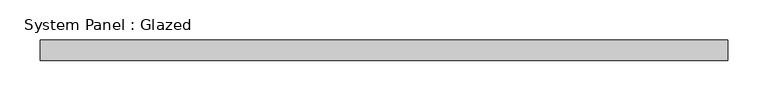
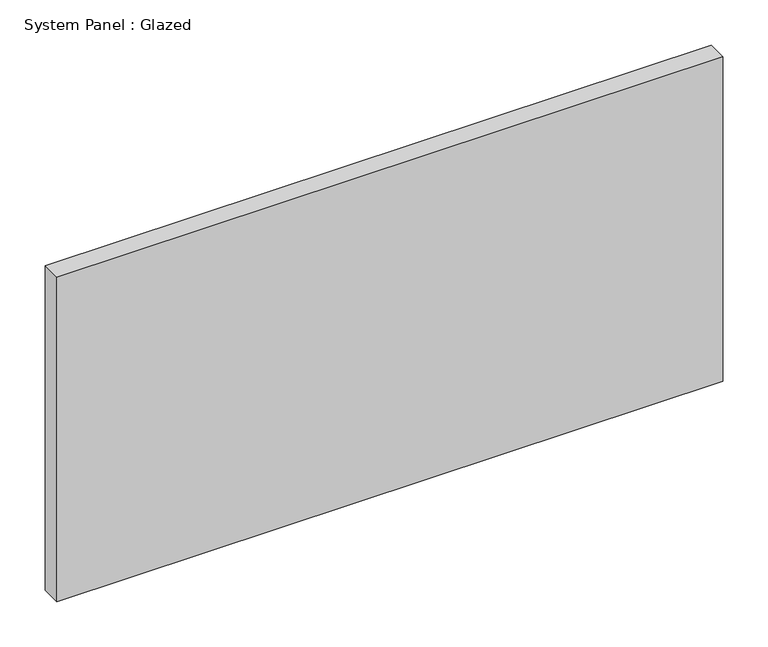
"""IFC4 building model written with IfcOpenShell, lengths in millimetres: plate geometry, System Panel : Glazed."""

import ifcopenshell
import ifcopenshell.guid

model = None  # the IFC model being written
_history = None  # IfcOwnerHistory: only IFC2X3 demands one
_inside = {}  # id of a spatial element -> (the spatial element, [elements in it])
_under = {}  # id of a project, library or spatial element -> (it, [spatial elements below it])
_declared = {}  # id of a project -> (the project, [libraries it declares])
_typed = {}  # id of a type object -> (the type object, [elements of that type])
_made_of = {}  # id of a material, layer set ... -> (it, [elements and type objects made of it])


def new_model(schema):
    """Start an empty IFC model of exactly this schema.

    Asked for "IFC4X3", IfcOpenShell would pick the latest addendum, in which some entities
    have other attributes; the version numbers below select the first issue.
    IFC2X3 requires an IfcOwnerHistory on every rooted entity: one is made here for all.
    """
    global model, _history
    if schema == "IFC4X3":
        model = ifcopenshell.file(schema_version=(4, 3, 0, 0))
    else:
        model = ifcopenshell.file(schema=schema)
    _inside.clear()
    _under.clear()
    _declared.clear()
    _typed.clear()
    _made_of.clear()
    _history = None
    if model.schema == "IFC2X3":
        org = make("IfcOrganization", Name="unknown")
        user = make(
            "IfcPersonAndOrganization",
            ThePerson=make("IfcPerson", FamilyName="unknown"),
            TheOrganization=org,
        )
        app = make(
            "IfcApplication",
            ApplicationDeveloper=org,
            Version="unknown",
            ApplicationFullName="unknown",
            ApplicationIdentifier="unknown",
        )
        _history = make(
            "IfcOwnerHistory",
            OwningUser=user,
            OwningApplication=app,
            ChangeAction="ADDED",
            CreationDate=0,
        )
    return model


def make(cls, **values):
    """One entity of the class cls with the attributes given. An attribute that is None is left unset."""
    return model.create_entity(
        cls, **{name: value for name, value in values.items() if value is not None}
    )


def rooted(cls, **values):
    """An entity with a GlobalId (a new one), such as an element, a storey or a relation."""
    return make(cls, GlobalId=ifcopenshell.guid.new(), OwnerHistory=_history, **values)


def si_unit(unit_type, name, prefix=None):
    """IfcSIUnit, for example si_unit("LENGTHUNIT", "METRE", prefix="MILLI")."""
    return make("IfcSIUnit", UnitType=unit_type, Prefix=prefix, Name=name)


def assignment(units):
    """IfcUnitAssignment: the units of a project."""
    return None if units is None else make("IfcUnitAssignment", Units=units)


def point(xyz):
    """IfcCartesianPoint."""
    return None if xyz is None else make("IfcCartesianPoint", Coordinates=xyz)


def direction(xyz):
    """IfcDirection."""
    return None if xyz is None else make("IfcDirection", DirectionRatios=xyz)


def frame(location, z_axis=None, x_axis=None):
    """IfcAxis2Placement3D, a coordinate frame: its origin and axes. An axis left out is left unset."""
    return make(
        "IfcAxis2Placement3D",
        Location=point(location),
        Axis=direction(z_axis),
        RefDirection=direction(x_axis),
    )


def origin():
    """The frame at (0, 0, 0) with its axes left unset."""
    return frame((0.0, 0.0, 0.0))


def origin_with_axes():
    """The frame at (0, 0, 0) with the z axis (0, 0, 1) and the x axis (1, 0, 0) written out."""
    return frame((0.0, 0.0, 0.0), z_axis=(0.0, 0.0, 1.0), x_axis=(1.0, 0.0, 0.0))


def place(relative_to, where):
    """IfcLocalPlacement: puts the frame where relative to a parent placement (None: the world)."""
    return make(
        "IfcLocalPlacement", PlacementRelTo=relative_to, RelativePlacement=where
    )


def context(
    kind, dimensions, precision=None, world=None, true_north=None, identifier=None
):
    """IfcGeometricRepresentationContext, for example the 3D "Model" context."""
    return make(
        "IfcGeometricRepresentationContext",
        ContextIdentifier=identifier,
        ContextType=kind,
        CoordinateSpaceDimension=dimensions,
        Precision=precision,
        WorldCoordinateSystem=world,
        TrueNorth=true_north,
    )


def project(units=None, contexts=None):
    """IfcProject with its units and contexts."""
    return rooted(
        "IfcProject",
        Name="project",
        RepresentationContexts=contexts,
        UnitsInContext=assignment(units),
    )


def spatial(cls, under=None, at=None, **own):
    """A site, building, storey or space (cls), placed at a placement, below another one or the project."""
    s = rooted(cls, ObjectPlacement=at, **own)
    if under is not None:
        _under.setdefault(under.id(), (under, []))[1].append(s)
    return s


def polyline(points):
    """IfcPolyline through the points."""
    return make("IfcPolyline", Points=[point(p) for p in points])


def outline(outer, holes=None, kind="AREA"):
    """IfcArbitraryClosedProfileDef: a profile drawn as a closed curve; with holes, ...WithVoids."""
    if holes is None:
        return make("IfcArbitraryClosedProfileDef", ProfileType=kind, OuterCurve=outer)
    return make(
        "IfcArbitraryProfileDefWithVoids",
        ProfileType=kind,
        OuterCurve=outer,
        InnerCurves=holes,
    )


def extrude(swept, where, along, depth):
    """IfcExtrudedAreaSolid: the profile swept, set in the frame where, extruded along a direction by depth."""
    return make(
        "IfcExtrudedAreaSolid",
        SweptArea=swept,
        Position=where,
        ExtrudedDirection=direction(along),
        Depth=depth,
    )


def shape(context_of_items, identifier, shape_type, items):
    """IfcShapeRepresentation: the items that make up one representation, for example the "Body"."""
    return make(
        "IfcShapeRepresentation",
        ContextOfItems=context_of_items,
        RepresentationIdentifier=identifier,
        RepresentationType=shape_type,
        Items=items,
    )


def source(mapping_origin, context_of_items, identifier, shape_type, items):
    """IfcRepresentationMap: a shape defined once, which mapped items show again and again."""
    return make(
        "IfcRepresentationMap",
        MappingOrigin=mapping_origin,
        MappedRepresentation=shape(context_of_items, identifier, shape_type, items),
    )


def transform(
    local_origin,
    x_axis=None,
    y_axis=None,
    z_axis=None,
    scale=None,
    scale2=None,
    scale3=None,
    uniform=True,
):
    """IfcCartesianTransformationOperator3D, or its non-uniform kind. x_axis, y_axis, z_axis: its Axis1, 2, 3."""
    if uniform:
        return make(
            "IfcCartesianTransformationOperator3D",
            Axis1=direction(x_axis),
            Axis2=direction(y_axis),
            LocalOrigin=point(local_origin),
            Scale=scale,
            Axis3=direction(z_axis),
        )
    return make(
        "IfcCartesianTransformationOperator3DnonUniform",
        Axis1=direction(x_axis),
        Axis2=direction(y_axis),
        LocalOrigin=point(local_origin),
        Scale=scale,
        Axis3=direction(z_axis),
        Scale2=scale2,
        Scale3=scale3,
    )


def mapped(mapping_source, mapping_target):
    """IfcMappedItem: shows the shape of a source again, moved by a transform."""
    return make(
        "IfcMappedItem", MappingSource=mapping_source, MappingTarget=mapping_target
    )


def made_of(thing, what):
    """Note that an element or type object is made of a material, layer set ...; save() writes the relation."""
    if what is not None:
        _made_of.setdefault(what.id(), (what, []))[1].append(thing)
    return thing


def element(
    cls,
    number,
    at=None,
    inside=None,
    cuts=None,
    type_object=None,
    material=None,
    context=None,
    identifier="Body",
    shape_type=None,
    held_by="IfcProductDefinitionShape",
    body=None,
    shapes=None,
    **own,
):
    """One element of the class cls, such as IfcWall. Its Tag is "e" and its number.

    at: its placement. inside: the storey or other place that contains it. cuts: it is an
    opening in that element (IfcRelVoidsElement). A single representation is given by context,
    identifier, shape_type and body (its items); several are given by shapes. held_by: the class
    of the entity that holds the representations. save() writes the other relations.
    """
    e = rooted(cls, Tag="e%d" % number, ObjectPlacement=at, **own)
    if body is not None:
        shapes = [shape(context, identifier, shape_type, body)]
    if shapes is not None:
        e.Representation = make(held_by, Representations=shapes)
    if inside is not None:
        _inside.setdefault(inside.id(), (inside, []))[1].append(e)
    if cuts is not None:
        rooted(
            "IfcRelVoidsElement", RelatingBuildingElement=cuts, RelatedOpeningElement=e
        )
    if type_object is not None:
        _typed.setdefault(type_object.id(), (type_object, []))[1].append(e)
    return made_of(e, material)


def aggregate(whole, parts):
    """IfcRelAggregates: a whole, such as a stair, and the parts it consists of."""
    return rooted("IfcRelAggregates", RelatingObject=whole, RelatedObjects=parts)


def save(model, path):
    """Write the relations noted so far, then the file.

    IfcRelAggregates (storeys below a building ...), IfcRelContainedInSpatialStructure (elements
    in a storey), IfcRelDefinesByType, IfcRelAssociatesMaterial and IfcRelDeclares: one each for
    every whole, place, type object, material and project.
    """
    for whole, parts in _under.values():
        aggregate(whole, parts)
    for where, things in _inside.values():
        rooted(
            "IfcRelContainedInSpatialStructure",
            RelatedElements=things,
            RelatingStructure=where,
        )
    for kind, things in _typed.values():
        rooted("IfcRelDefinesByType", RelatedObjects=things, RelatingType=kind)
    for what, things in _made_of.values():
        rooted("IfcRelAssociatesMaterial", RelatedObjects=things, RelatingMaterial=what)
    for by, libraries in _declared.values():
        rooted("IfcRelDeclares", RelatingContext=by, RelatedDefinitions=libraries)
    model.write(path)


def system_panel_glazed_9da09670(model_context):
    return source(origin(), model_context, "Body", "SweptSolid", [
        extrude(outline(polyline([(425.45, 19.05), (-425.45, 19.05), (-425.45, 44.45), (425.45, 44.45), (425.45, 19.05)])), origin_with_axes(), (0.0, 0.0, 1.0), 438.15),
    ])


if __name__ == "__main__":
    model = new_model("IFC4")
    model_context = context("Model", 3, world=origin())
    ifc_project = project(units=[si_unit("LENGTHUNIT", "METRE", prefix="MILLI")], contexts=[model_context])
    site = spatial("IfcSite", under=ifc_project)
    building = spatial("IfcBuilding", under=site)
    placement = place(None, origin())
    system_panel_glazed_shape = system_panel_glazed_9da09670(model_context)
    element("IfcPlate", 1, ObjectType="System Panel : Glazed", at=placement, inside=building, context=model_context, shape_type="MappedRepresentation", body=[
        mapped(system_panel_glazed_shape, transform((0.0, 0.0, 0.0), x_axis=(1.0, 0.0, 0.0), y_axis=(0.0, 1.0, 0.0), z_axis=(0.0, 0.0, 1.0))),
    ])
    save(model, "model.ifc")
